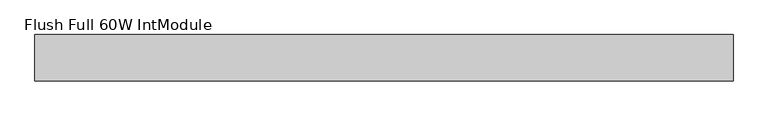
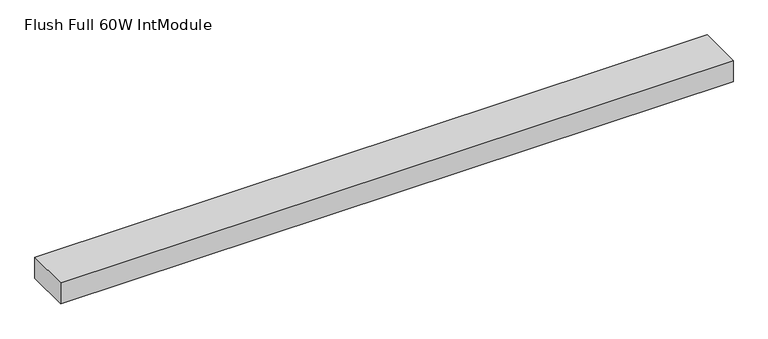
"""IFC4 building model written with IfcOpenShell, lengths in millimetres: furniture geometry, Flush Full 60W IntModule."""

from ifc_helpers import new_model, si_unit, frame, origin, place, context, project, spatial, polyline, outline, extrude, source, transform, mapped, element, save


def flush_full_60w_intmodule_c2a2d13e(model_context):
    return source(origin(), model_context, "Body", "SweptSolid", [
        extrude(outline(polyline([(50.8, -101.6), (50.8, 0.0), (1574.8, 0.0), (1574.8, -101.6), (50.8, -101.6)])), frame((0.0, 0.0, 2235.2), z_axis=(0.0, 0.0, 1.0), x_axis=(1.0, 0.0, 0.0)), (0.0, 0.0, 1.0), 50.8),
    ])


if __name__ == "__main__":
    model = new_model("IFC4")
    model_context = context("Model", 3, world=origin())
    ifc_project = project(units=[si_unit("LENGTHUNIT", "METRE", prefix="MILLI")], contexts=[model_context])
    site = spatial("IfcSite", under=ifc_project)
    building = spatial("IfcBuilding", under=site)
    placement = place(None, origin())
    flush_full_60w_intmodule_shape = flush_full_60w_intmodule_c2a2d13e(model_context)
    element("IfcFurniture", 1, ObjectType="Flush Full 60W IntModule", at=placement, inside=building, context=model_context, shape_type="MappedRepresentation", body=[
        mapped(flush_full_60w_intmodule_shape, transform((0.0, 0.0, 0.0), x_axis=(1.0, 0.0, 0.0), y_axis=(0.0, 1.0, 0.0), z_axis=(0.0, 0.0, 1.0))),
    ])
    save(model, "model.ifc")
